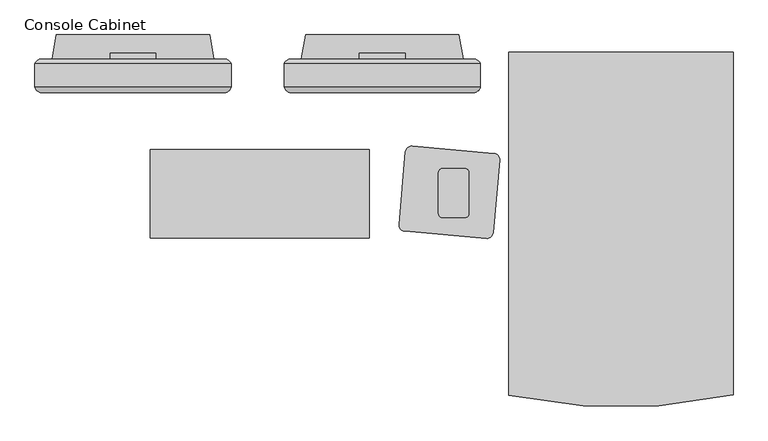
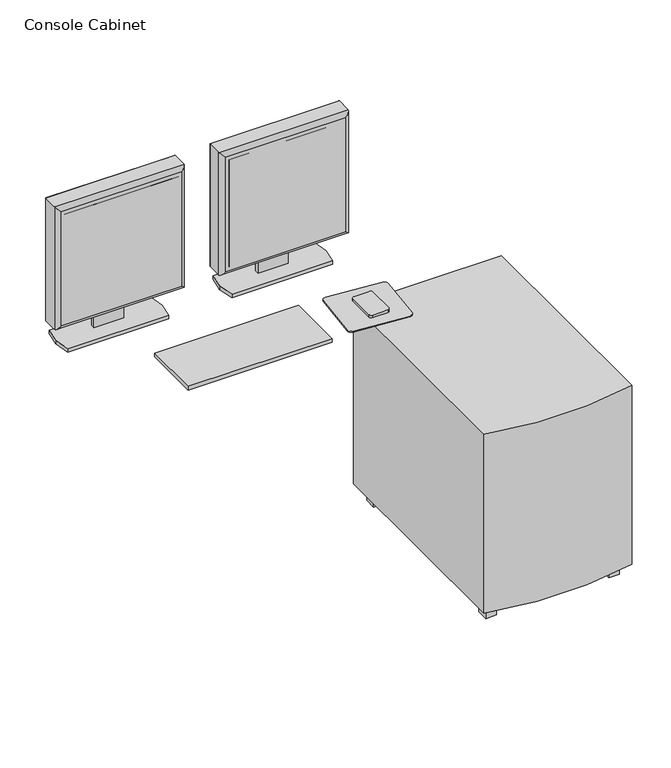
"""IFC4 building model written with IfcOpenShell, lengths in millimetres: proxy geometry, Console Cabinet."""

from ifc_helpers import new_model, si_unit, point, frame, frame_2d, origin, origin_with_axes, place, context, project, spatial, polyline, circle_curve, ellipse_curve, trimmed, segment, composite_curve, outline, extrude, source, transform, mapped, element, save
from ifc_brep_helpers import plane_surface, cylinder_surface, advanced_brep


def console_cabinet_5a11be9d(model_context):
    return source(origin(), model_context, "Body", "SolidModel", [
        advanced_brep(
        [(735.6433495, -155.1019683, 1355.4945549), (735.6433495, -198.2326489, 1355.4945549), (735.6433495, -203.2296917, 1355.4945549), (1144.5833495, -203.2296917, 1355.4945549), (1144.5833495, -198.2326489, 1355.4945549), (1144.5833495, -155.1019683, 1355.4945549), (1144.5833495, -155.1019683, 945.9308813), (1144.5833495, -198.2326489, 945.9308813), (1144.5833495, -203.2296917, 945.9308813), (735.6433495, -203.2296917, 945.9308813), (735.6433495, -198.2326489, 945.9308813), (735.6433495, -155.1019683, 945.9308813), (744.8809855, -145.8643323, 955.1685173), (744.8809855, -145.8643323, 1346.2569189), (1135.3457135, -145.8643323, 1346.2569189), (1135.3457135, -145.8643323, 955.1685173), (749.8075101, -215.1140092, 1341.3291239), (749.8075101, -215.1140092, 960.0963123), (1130.4179185, -215.1140092, 960.0950419), (1130.4191889, -215.1140092, 1341.3291239)],
        [
            (0, 1),
            (1, 2),
            (2, 3),
            (3, 4),
            (4, 5),
            (5, 0),
            (6, 7),
            (7, 8),
            (8, 9),
            (9, 10),
            (10, 11),
            (11, 6),
            (12, 13),
            (13, 14),
            (14, 15),
            (15, 12),
            (0, 11),
            (9, 2),
            (16, 17),
            (17, 18),
            (18, 19),
            (19, 16),
            (3, 8),
            (6, 5),
            (12, 11, ellipse_curve(frame((751.7580378, -161.9790206, 962.0455696), z_axis=(-0.7071067811865452, 0.0, 0.7071067811865498), x_axis=(-0.7071067811865498, 0.0, -0.7071067811865452)), 24.7780962, 17.5207599)),
            (0, 13, ellipse_curve(frame((751.7580378, -161.9790206, 1339.3798666), z_axis=(-0.7071067811865498, 0.0, -0.7071067811865452), x_axis=(0.7071067811865452, 0.0, -0.7071067811865498)), 24.7780962, 17.5207599)),
            (16, 2, ellipse_curve(frame((749.8075101, -200.7311703, 1341.3303943), z_axis=(-0.7071067811865498, 0.0, -0.7071067811865452), x_axis=(0.7071067811865452, 0.0, -0.7071067811865498)), 20.3404059, 14.3828389)),
            (9, 17, ellipse_curve(frame((749.8075101, -200.7311703, 960.0950419), z_axis=(-0.7071067811865452, 0.0, 0.7071067811865498), x_axis=(-0.7071067811865498, 0.0, -0.7071067811865452)), 20.3404059, 14.3828389)),
            (15, 6, ellipse_curve(frame((1128.4686612, -161.9790206, 962.0455696), z_axis=(-0.7071067811865498, 0.0, -0.7071067811865452), x_axis=(0.7071067811865452, 0.0, -0.7071067811865497)), 24.7780962, 17.5207599)),
            (8, 18, ellipse_curve(frame((1130.4191889, -200.7311703, 960.0950419), z_axis=(-0.7071067811865498, 0.0, -0.7071067811865452), x_axis=(0.7071067811865452, 0.0, -0.7071067811865497)), 20.3404059, 14.3828389)),
            (14, 5, ellipse_curve(frame((1128.4686612, -161.9790206, 1339.3798666), z_axis=(0.7071067811865452, 0.0, -0.7071067811865498), x_axis=(0.7071067811865498, 0.0, 0.7071067811865452)), 24.7780962, 17.5207599)),
            (3, 19, ellipse_curve(frame((1130.4191889, -200.7311703, 1341.3303943), z_axis=(0.7071067811865452, 0.0, -0.7071067811865498), x_axis=(0.7071067811865498, 0.0, 0.7071067811865452)), 20.3404059, 14.3828389)),
        ],
        [
            plane_surface(frame((740.7233495, -145.8643323, 1355.4945549), z_axis=(0.0, 0.0, 1.0), x_axis=(-1.0, 0.0, 0.0))),
            plane_surface(frame((740.7233495, -145.8643323, 945.9308813), z_axis=(0.0, 0.0, -1.0), x_axis=(1.0, 0.0, 0.0))),
            plane_surface(frame((1144.5833495, -145.8643323, 1355.4945549), z_axis=(0.0, 1.0, 0.0), x_axis=(0.0, 0.0, -1.0))),
            plane_surface(frame((735.6433495, -145.8643323, 1355.4945549), z_axis=(-1.0, 0.0, 0.0), x_axis=(0.0, 0.0, -1.0))),
            plane_surface(frame((735.6433495, -215.1140092, 1355.4945549), z_axis=(0.0, -1.0, 0.0), x_axis=(0.0, 0.0, -1.0))),
            plane_surface(frame((1144.5833495, -215.1140092, 1355.4945549), z_axis=(1.0, 0.0, 0.0), x_axis=(0.0, 0.0, -1.0))),
            cylinder_surface(frame((751.7580378, -161.9790206, 1355.4945549), z_axis=(0.0, 0.0, -1.0), x_axis=(0.0, 1.0, 0.0)), 17.5207599),
            cylinder_surface(frame((749.8075101, -200.7311703, 1355.4945549), z_axis=(0.0, 0.0, -1.0), x_axis=(0.0, 1.0, 0.0)), 14.3828389),
            cylinder_surface(frame((735.6433495, -161.9790206, 962.0455696), z_axis=(1.0, 0.0, 0.0), x_axis=(0.0, 1.0, 0.0)), 17.5207599),
            cylinder_surface(frame((735.6433495, -200.7311703, 960.0950419), z_axis=(1.0, 0.0, 0.0), x_axis=(0.0, 1.0, 0.0)), 14.3828389),
            cylinder_surface(frame((1128.4686612, -161.9790206, 945.9308813), z_axis=(0.0, 0.0, 1.0), x_axis=(0.0, 1.0, 0.0)), 17.5207599),
            cylinder_surface(frame((1130.4191889, -200.7311703, 945.9308813), z_axis=(0.0, 0.0, 1.0), x_axis=(0.0, 1.0, 0.0)), 14.3828389),
            cylinder_surface(frame((1144.5833495, -161.9790206, 1339.3798666), z_axis=(-1.0, 0.0, 0.0), x_axis=(0.0, 1.0, 0.0)), 17.5207599),
            cylinder_surface(frame((1144.5833495, -200.7311703, 1341.3303943), z_axis=(-1.0, 0.0, 0.0), x_axis=(0.0, 1.0, 0.0)), 14.3828389),
        ],
        [
            (0, [[1, 2, 3, 4, 5, 6]]),
            (1, [[7, 8, 9, 10, 11, 12]]),
            (2, [[13, 14, 15, 16]]),
            (3, [[-1, 17, -11, -10, 18, -2]]),
            (4, [[19, 20, 21, 22]]),
            (5, [[-5, -4, 23, -8, -7, 24]]),
            (6, [[25, -17, 26, -13]]),
            (7, [[27, -18, 28, -19]]),
            (8, [[-25, -16, 29, -12]]),
            (9, [[30, -20, -28, -9]]),
            (10, [[-29, -15, 31, -24]]),
            (11, [[32, -21, -30, -23]]),
            (12, [[-26, -6, -31, -14]]),
            (13, [[-27, -22, -32, -3]]),
        ],
    ),
        extrude(outline(polyline([(761.0433495, -209.2002301), (1119.1833495, -209.2002301), (1119.1833495, -215.1140092), (761.0433495, -215.1140092), (761.0433495, -209.2002301)])), frame((0.0, 0.0, 971.3308813), z_axis=(0.0, 0.0, 1.0), x_axis=(1.0, 0.0, 0.0)), (0.0, 0.0, 1.0), 358.7636736),
        extrude(outline(polyline([(-145.8643323, 1171.9139605), (-133.1831611, 1171.9139605), (-133.1831611, 862.249928), (-145.8643323, 862.249928), (-145.8643323, 942.4685173), (-143.1270999, 942.4685173), (-143.1270999, 955.1685173), (-145.8643323, 955.1685173), (-145.8643323, 1171.9139605)])), frame((892.4883495, 0.0, 0.0), z_axis=(1.0, 0.0, 0.0), x_axis=(0.0, 1.0, 0.0)), (0.0, 0.0, 1.0), 95.25),
        advanced_brep(
        [(216.2788715, -155.1019683, 1355.4945549), (216.2788715, -198.2326489, 1355.4945549), (216.2788715, -203.2296917, 1355.4945549), (625.2188715, -203.2296917, 1355.4945549), (625.2188715, -198.2326489, 1355.4945549), (625.2188715, -155.1019683, 1355.4945549), (625.2188715, -155.1019683, 945.9308813), (625.2188715, -198.2326489, 945.9308813), (625.2188715, -203.2296917, 945.9308813), (216.2788715, -203.2296917, 945.9308813), (216.2788715, -198.2326489, 945.9308813), (216.2788715, -155.1019683, 945.9308813), (225.5165075, -145.8643323, 955.1685173), (225.5165075, -145.8643323, 1346.2569189), (615.9812356, -145.8643323, 1346.2569189), (615.9812356, -145.8643323, 955.1685173), (230.4430322, -215.1140092, 1341.3291239), (230.4430322, -215.1140092, 960.0963123), (611.0534405, -215.1140092, 960.0950419), (611.0547109, -215.1140092, 1341.3291239)],
        [
            (0, 1),
            (1, 2),
            (2, 3),
            (3, 4),
            (4, 5),
            (5, 0),
            (6, 7),
            (7, 8),
            (8, 9),
            (9, 10),
            (10, 11),
            (11, 6),
            (12, 13),
            (13, 14),
            (14, 15),
            (15, 12),
            (0, 11),
            (9, 2),
            (16, 17),
            (17, 18),
            (18, 19),
            (19, 16),
            (3, 8),
            (6, 5),
            (12, 11, ellipse_curve(frame((232.3935598, -161.9790206, 962.0455696), z_axis=(-0.7071067811865452, 0.0, 0.7071067811865498), x_axis=(-0.7071067811865498, 0.0, -0.7071067811865452)), 24.7780962, 17.5207599)),
            (0, 13, ellipse_curve(frame((232.3935598, -161.9790206, 1339.3798666), z_axis=(-0.7071067811865498, 0.0, -0.7071067811865452), x_axis=(0.7071067811865452, 0.0, -0.7071067811865498)), 24.7780962, 17.5207599)),
            (16, 2, ellipse_curve(frame((230.4430322, -200.7311703, 1341.3303943), z_axis=(-0.7071067811865498, 0.0, -0.7071067811865452), x_axis=(0.7071067811865452, 0.0, -0.7071067811865498)), 20.3404059, 14.3828389)),
            (9, 17, ellipse_curve(frame((230.4430322, -200.7311703, 960.0950419), z_axis=(-0.7071067811865452, 0.0, 0.7071067811865498), x_axis=(-0.7071067811865498, 0.0, -0.7071067811865452)), 20.3404059, 14.3828389)),
            (15, 6, ellipse_curve(frame((609.1041832, -161.9790206, 962.0455696), z_axis=(-0.7071067811865498, 0.0, -0.7071067811865452), x_axis=(0.7071067811865452, 0.0, -0.7071067811865497)), 24.7780962, 17.5207599)),
            (8, 18, ellipse_curve(frame((611.0547109, -200.7311703, 960.0950419), z_axis=(-0.7071067811865498, 0.0, -0.7071067811865452), x_axis=(0.7071067811865452, 0.0, -0.7071067811865497)), 20.3404059, 14.3828389)),
            (14, 5, ellipse_curve(frame((609.1041832, -161.9790206, 1339.3798666), z_axis=(0.7071067811865452, 0.0, -0.7071067811865498), x_axis=(0.7071067811865498, 0.0, 0.7071067811865452)), 24.7780962, 17.5207599)),
            (3, 19, ellipse_curve(frame((611.0547109, -200.7311703, 1341.3303943), z_axis=(0.7071067811865452, 0.0, -0.7071067811865498), x_axis=(0.7071067811865498, 0.0, 0.7071067811865452)), 20.3404059, 14.3828389)),
        ],
        [
            plane_surface(frame((221.3588715, -145.8643323, 1355.4945549), z_axis=(0.0, 0.0, 1.0), x_axis=(-1.0, 0.0, 0.0))),
            plane_surface(frame((221.3588715, -145.8643323, 945.9308813), z_axis=(0.0, 0.0, -1.0), x_axis=(1.0, 0.0, 0.0))),
            plane_surface(frame((625.2188715, -145.8643323, 1355.4945549), z_axis=(0.0, 1.0, 0.0), x_axis=(0.0, 0.0, -1.0))),
            plane_surface(frame((216.2788715, -145.8643323, 1355.4945549), z_axis=(-1.0, 0.0, 0.0), x_axis=(0.0, 0.0, -1.0))),
            plane_surface(frame((216.2788715, -215.1140092, 1355.4945549), z_axis=(0.0, -1.0, 0.0), x_axis=(0.0, 0.0, -1.0))),
            plane_surface(frame((625.2188715, -215.1140092, 1355.4945549), z_axis=(1.0, 0.0, 0.0), x_axis=(0.0, 0.0, -1.0))),
            cylinder_surface(frame((232.3935598, -161.9790206, 1355.4945549), z_axis=(0.0, 0.0, -1.0), x_axis=(0.0, 1.0, 0.0)), 17.5207599),
            cylinder_surface(frame((230.4430322, -200.7311703, 1355.4945549), z_axis=(0.0, 0.0, -1.0), x_axis=(0.0, 1.0, 0.0)), 14.3828389),
            cylinder_surface(frame((216.2788715, -161.9790206, 962.0455696), z_axis=(1.0, 0.0, 0.0), x_axis=(0.0, 1.0, 0.0)), 17.5207599),
            cylinder_surface(frame((216.2788715, -200.7311703, 960.0950419), z_axis=(1.0, 0.0, 0.0), x_axis=(0.0, 1.0, 0.0)), 14.3828389),
            cylinder_surface(frame((609.1041832, -161.9790206, 945.9308813), z_axis=(0.0, 0.0, 1.0), x_axis=(0.0, 1.0, 0.0)), 17.5207599),
            cylinder_surface(frame((611.0547109, -200.7311703, 945.9308813), z_axis=(0.0, 0.0, 1.0), x_axis=(0.0, 1.0, 0.0)), 14.3828389),
            cylinder_surface(frame((625.2188715, -161.9790206, 1339.3798666), z_axis=(-1.0, 0.0, 0.0), x_axis=(0.0, 1.0, 0.0)), 17.5207599),
            cylinder_surface(frame((625.2188715, -200.7311703, 1341.3303943), z_axis=(-1.0, 0.0, 0.0), x_axis=(0.0, 1.0, 0.0)), 14.3828389),
        ],
        [
            (0, [[1, 2, 3, 4, 5, 6]]),
            (1, [[7, 8, 9, 10, 11, 12]]),
            (2, [[13, 14, 15, 16]]),
            (3, [[-1, 17, -11, -10, 18, -2]]),
            (4, [[19, 20, 21, 22]]),
            (5, [[-5, -4, 23, -8, -7, 24]]),
            (6, [[25, -17, 26, -13]]),
            (7, [[27, -18, 28, -19]]),
            (8, [[-25, -16, 29, -12]]),
            (9, [[30, -20, -28, -9]]),
            (10, [[-29, -15, 31, -24]]),
            (11, [[32, -21, -30, -23]]),
            (12, [[-26, -6, -31, -14]]),
            (13, [[-27, -22, -32, -3]]),
        ],
    ),
        extrude(outline(polyline([(241.6788715, -209.2002301), (599.8188715, -209.2002301), (599.8188715, -215.1140092), (241.6788715, -215.1140092), (241.6788715, -209.2002301)])), frame((0.0, 0.0, 971.3308813), z_axis=(0.0, 0.0, 1.0), x_axis=(1.0, 0.0, 0.0)), (0.0, 0.0, 1.0), 358.7636736),
        extrude(outline(polyline([(-145.8643323, 1171.9139605), (-133.1831611, 1171.9139605), (-133.1831611, 862.249928), (-145.8643323, 862.249928), (-145.8643323, 942.4685173), (-143.1270999, 942.4685173), (-143.1270999, 955.1685173), (-145.8643323, 955.1685173), (-145.8643323, 1171.9139605)])), frame((373.1238715, 0.0, 0.0), z_axis=(1.0, 0.0, 0.0), x_axis=(0.0, 1.0, 0.0)), (0.0, 0.0, 1.0), 95.25),
        extrude(outline(polyline([(771.4573495, -145.8643323), (780.6013495, -94.8103323), (1099.6253495, -94.8103323), (1108.7693495, -145.8643323), (1099.6253495, -196.9183323), (780.6013495, -196.9183323), (771.4573495, -145.8643323)])), frame((0.0, 0.0, 850.0345549), z_axis=(0.0, 0.0, 1.0), x_axis=(1.0, 0.0, 0.0)), (0.0, 0.0, 1.0), 12.2153731),
        extrude(outline(composite_curve([segment(trimmed(circle_curve(frame_2d((1000.9958357, -339.63424)), 12.7), [point((988.3441631, -338.5273621))], [point((1002.1027137, -326.9825673))], False, "CARTESIAN"), True, "CONTINUOUS"), segment(polyline([(1002.1027137, -326.9825673), (1172.9002947, -341.9254194)]), True, "CONTINUOUS"), segment(trimmed(circle_curve(frame_2d((1171.7934167, -354.5770921)), 12.7), [point((1172.9002947, -341.9254194))], [point((1184.4450894, -355.68397))], False, "CARTESIAN"), True, "CONTINUOUS"), segment(polyline([(1184.4450894, -355.68397), (1171.1625542, -507.504042)]), True, "CONTINUOUS"), segment(trimmed(circle_curve(frame_2d((1158.5108815, -506.3971641)), 12.7), [point((1171.1625542, -507.504042))], [point((1157.4040036, -519.0488368))], False, "CARTESIAN"), True, "CONTINUOUS"), segment(polyline([(1157.4040036, -519.0488368), (986.6064226, -504.1059847)]), True, "CONTINUOUS"), segment(trimmed(circle_curve(frame_2d((987.7133005, -491.454312)), 12.7), [point((986.6064226, -504.1059847))], [point((975.0616279, -490.3474341))], False, "CARTESIAN"), True, "CONTINUOUS"), segment(polyline([(975.0616279, -490.3474341), (988.3441631, -338.5273621)]), True, "CONTINUOUS")], self_intersect=False)), frame((0.0, 0.0, 850.0345549), z_axis=(0.0, 0.0, 1.0), x_axis=(1.0, 0.0, 0.0)), (0.0, 0.0, 1.0), 2.9133962),
        extrude(outline(composite_curve([segment(trimmed(circle_curve(frame_2d((1113.0685201, -467.8944965)), 7.62), [point((1120.6885201, -467.8944965))], [point((1113.0685201, -475.5144965))], False, "CARTESIAN"), True, "CONTINUOUS"), segment(polyline([(1113.0685201, -475.5144965), (1064.8085201, -475.5144965)]), True, "CONTINUOUS"), segment(trimmed(circle_curve(frame_2d((1064.8085201, -467.8944965)), 7.62), [point((1064.8085201, -475.5144965))], [point((1057.1885201, -467.8944965))], False, "CARTESIAN"), True, "CONTINUOUS"), segment(polyline([(1057.1885201, -467.8944965), (1057.1885201, -381.5344965)]), True, "CONTINUOUS"), segment(trimmed(circle_curve(frame_2d((1064.8085201, -381.5344965)), 7.62), [point((1057.1885201, -381.5344965))], [point((1064.8085201, -373.9144965))], False, "CARTESIAN"), True, "CONTINUOUS"), segment(polyline([(1064.8085201, -373.9144965), (1113.0685201, -373.9144965)]), True, "CONTINUOUS"), segment(trimmed(circle_curve(frame_2d((1113.0685201, -381.5344965)), 7.62), [point((1113.0685201, -373.9144965))], [point((1120.6885201, -381.5344965))], False, "CARTESIAN"), True, "CONTINUOUS"), segment(polyline([(1120.6885201, -381.5344965), (1120.6885201, -467.8944965)]), True, "CONTINUOUS")], self_intersect=False)), frame((0.0, 0.0, 852.9479511), z_axis=(0.0, 0.0, 1.0), x_axis=(1.0, 0.0, 0.0)), (0.0, 0.0, 1.0), 9.3019768),
        extrude(outline(polyline([(252.0928715, -145.8643323), (261.2368715, -94.8103323), (580.2608715, -94.8103323), (589.4048715, -145.8643323), (580.2608715, -196.9183323), (261.2368715, -196.9183323), (252.0928715, -145.8643323)])), frame((0.0, 0.0, 850.0345549), z_axis=(0.0, 0.0, 1.0), x_axis=(1.0, 0.0, 0.0)), (0.0, 0.0, 1.0), 12.2153731),
        extrude(outline(polyline([(912.8513519, -334.3874051), (912.8513519, -518.0189522), (456.9385455, -518.0189522), (456.9385455, -334.3874051), (912.8513519, -334.3874051)])), frame((0.0, 0.0, 850.0345549), z_axis=(0.0, 0.0, 1.0), x_axis=(1.0, 0.0, 0.0)), (0.0, 0.0, 1.0), 12.2153731),
        extrude(outline(polyline([(1613.3371851, -205.5491135), (1613.3371851, -167.9943368), (1647.9578548, -167.9943368), (1647.9578548, -205.5491135), (1613.3371851, -205.5491135)])), origin_with_axes(), (0.0, 0.0, 1.0), 41.0096689),
        extrude(outline(polyline([(1613.3371851, -819.2336552), (1613.3371851, -781.6788785), (1647.9578548, -781.6788785), (1647.9578548, -819.2336552), (1613.3371851, -819.2336552)])), origin_with_axes(), (0.0, 0.0, 1.0), 41.0096689),
        extrude(outline(composite_curve([segment(polyline([(1203.7995715, -131.1435963), (1671.1763026, -131.1435963), (1671.1763026, -846.0824216)]), True, "CONTINUOUS"), segment(trimmed(circle_curve(frame_2d((1436.2263026, 247.1756901)), 1118.2194781), [point((1671.1763026, -846.0824216))], [point((1203.7995715, -846.6216476))], False, "CARTESIAN"), True, "CONTINUOUS"), segment(polyline([(1203.7995715, -846.6216476), (1203.7995715, -131.1435963)]), True, "CONTINUOUS")], self_intersect=False)), frame((0.0, 0.0, 41.0096689), z_axis=(0.0, 0.0, 1.0), x_axis=(1.0, 0.0, 0.0)), (0.0, 0.0, 1.0), 598.8163311),
        extrude(outline(polyline([(1259.11542, -167.9943368), (1259.11542, -205.5491135), (1224.4947504, -205.5491135), (1224.4947504, -167.9943368), (1259.11542, -167.9943368)])), origin_with_axes(), (0.0, 0.0, 1.0), 41.0096689),
        extrude(outline(polyline([(1259.11542, -781.6788785), (1259.11542, -819.2336552), (1224.4947504, -819.2336552), (1224.4947504, -781.6788785), (1259.11542, -781.6788785)])), origin_with_axes(), (0.0, 0.0, 1.0), 41.0096689),
    ])


if __name__ == "__main__":
    model = new_model("IFC4")
    model_context = context("Model", 3, world=origin())
    ifc_project = project(units=[si_unit("LENGTHUNIT", "METRE", prefix="MILLI")], contexts=[model_context])
    site = spatial("IfcSite", under=ifc_project)
    building = spatial("IfcBuilding", under=site)
    placement = place(None, origin())
    console_cabinet_shape = console_cabinet_5a11be9d(model_context)
    element("IfcBuildingElementProxy", 1, Name="Console Cabinet", ObjectType="Console Cabinet", at=placement, inside=building, context=model_context, shape_type="MappedRepresentation", body=[
        mapped(console_cabinet_shape, transform((0.0, 0.0, 0.0), x_axis=(1.0, 0.0, 0.0), y_axis=(0.0, 1.0, 0.0), z_axis=(0.0, 0.0, 1.0))),
    ])
    save(model, "model.ifc")
